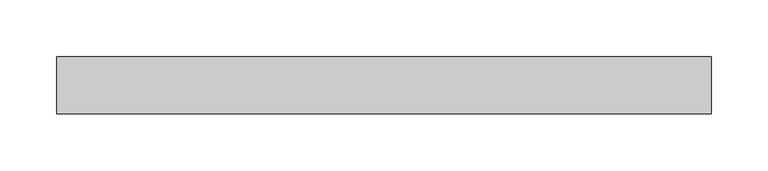
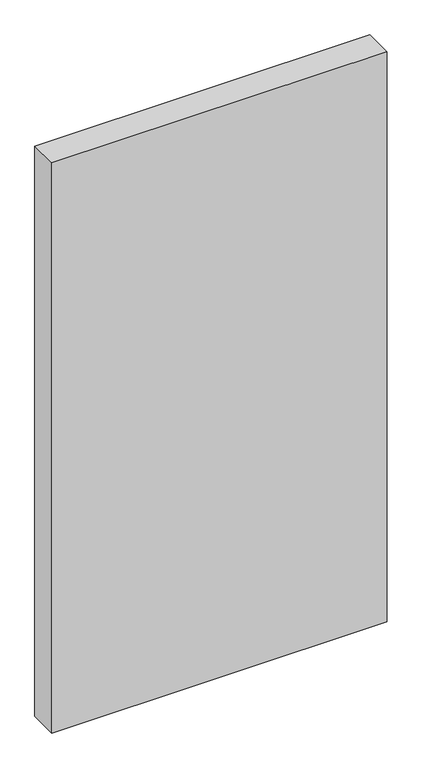
"""IFC4 building model written with IfcOpenShell, lengths in millimetres: plate geometry."""

from ifc_helpers import new_model, si_unit, origin, origin_with_axes, place, context, project, spatial, polyline, outline, extrude, source, transform, mapped, element, save


def plate_b985795c(model_context):
    return source(origin(), model_context, "Body", "SweptSolid", [
        extrude(outline(polyline([(288.0, -25.0), (-288.0, -25.0), (-288.0, 25.0), (288.0, 25.0), (288.0, -25.0)])), origin_with_axes(), (0.0, 0.0, 1.0), 1035.0),
    ])


if __name__ == "__main__":
    model = new_model("IFC4")
    model_context = context("Model", 3, world=origin())
    ifc_project = project(units=[si_unit("LENGTHUNIT", "METRE", prefix="MILLI")], contexts=[model_context])
    site = spatial("IfcSite", under=ifc_project)
    building = spatial("IfcBuilding", under=site)
    placement = place(None, origin())
    plate_shape = plate_b985795c(model_context)
    element("IfcPlate", 1, at=placement, inside=building, context=model_context, shape_type="MappedRepresentation", body=[
        mapped(plate_shape, transform((0.0, 0.0, 0.0), x_axis=(1.0, 0.0, 0.0), y_axis=(0.0, 1.0, 0.0), z_axis=(0.0, 0.0, 1.0))),
    ])
    save(model, "model.ifc")
